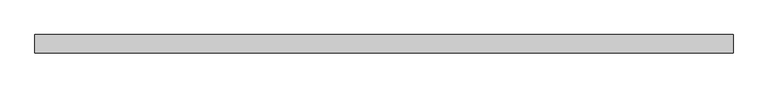
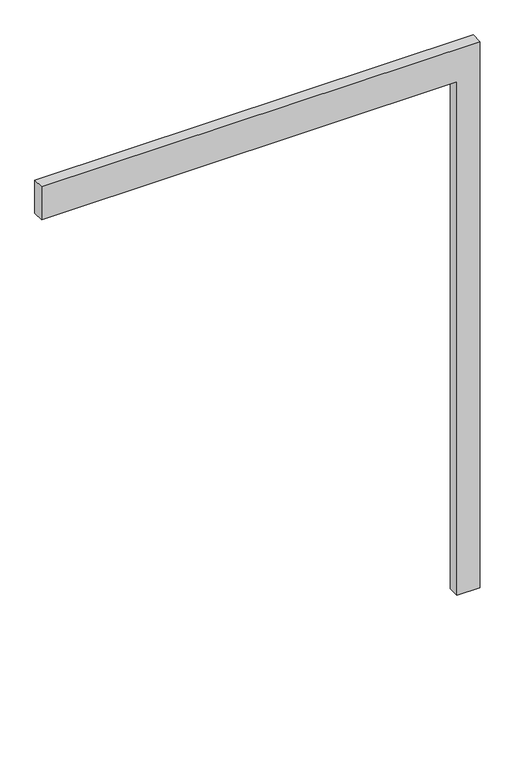
"""IFC4 building model written with IfcOpenShell, lengths in millimetres: proxy geometry."""

from ifc_helpers import new_model, si_unit, frame, origin, place, context, project, spatial, polyline, outline, extrude, source, transform, mapped, element, save


def generic_models_3e922784(model_context):
    return source(origin(), model_context, "Body", "SweptSolid", [
        extrude(outline(polyline([(2350.0, -1800.0), (2350.0, 0.0), (0.0, 0.0), (0.0, 100.0), (2500.0, 100.0), (2500.0, -1800.0), (2350.0, -1800.0)])), frame((0.0, -50.0, 0.0), z_axis=(0.0, 1.0, 0.0), x_axis=(0.0, 0.0, 1.0)), (0.0, 0.0, 1.0), 50.0),
    ])


if __name__ == "__main__":
    model = new_model("IFC4")
    model_context = context("Model", 3, world=origin())
    ifc_project = project(units=[si_unit("LENGTHUNIT", "METRE", prefix="MILLI")], contexts=[model_context])
    site = spatial("IfcSite", under=ifc_project)
    building = spatial("IfcBuilding", under=site)
    placement = place(None, origin())
    generic_models_shape = generic_models_3e922784(model_context)
    element("IfcBuildingElementProxy", 1, Name="Generic Models", at=placement, inside=building, context=model_context, shape_type="MappedRepresentation", body=[
        mapped(generic_models_shape, transform((0.0, 0.0, 0.0), x_axis=(1.0, 0.0, 0.0), y_axis=(0.0, 1.0, 0.0), z_axis=(0.0, 0.0, 1.0))),
    ])
    save(model, "model.ifc")
